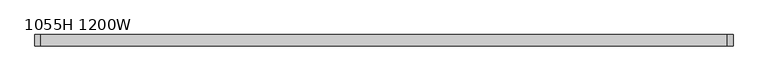
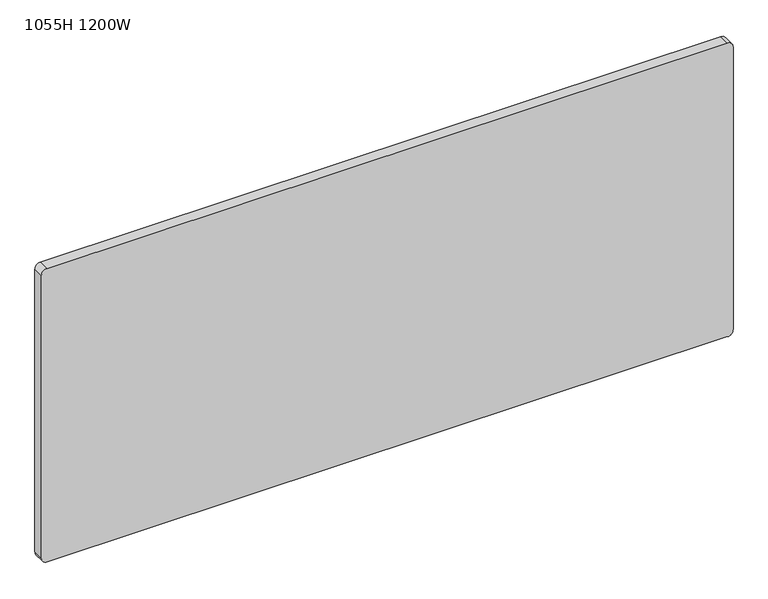
"""IFC4 building model written with IfcOpenShell, lengths in millimetres: furniture geometry, 1055H 1200W."""

from ifc_helpers import new_model, si_unit, point, frame, frame_2d, origin, place, context, project, spatial, polyline, circle_curve, trimmed, segment, composite_curve, outline, extrude, source, transform, mapped, element, save


def furniture_1055h_1200w_f720a328(model_context):
    return source(origin(), model_context, "Body", "SweptSolid", [
        extrude(outline(composite_curve([segment(trimmed(circle_curve(frame_2d((540.0, 602.5)), 10.0), [point((530.0, 602.5))], [point((540.0, 612.5))], False, "CARTESIAN"), True, "CONTINUOUS"), segment(polyline([(540.0, 612.5), (1070.0, 612.5)]), True, "CONTINUOUS"), segment(trimmed(circle_curve(frame_2d((1070.0, 602.5)), 10.0), [point((1070.0, 612.5))], [point((1080.0, 602.5))], False, "CARTESIAN"), True, "CONTINUOUS"), segment(polyline([(1080.0, 602.5), (1080.0, -602.5)]), True, "CONTINUOUS"), segment(trimmed(circle_curve(frame_2d((1070.0, -602.5)), 10.0), [point((1080.0, -602.5))], [point((1070.0, -612.5))], False, "CARTESIAN"), True, "CONTINUOUS"), segment(polyline([(1070.0, -612.5), (540.0, -612.5)]), True, "CONTINUOUS"), segment(trimmed(circle_curve(frame_2d((540.0, -602.5)), 10.0), [point((540.0, -612.5))], [point((530.0, -602.5))], False, "CARTESIAN"), True, "CONTINUOUS"), segment(polyline([(530.0, -602.5), (530.0, 602.5)]), True, "CONTINUOUS")], self_intersect=False)), frame((0.0, -10.0, 0.0), z_axis=(0.0, 1.0, 0.0), x_axis=(0.0, 0.0, 1.0)), (0.0, 0.0, 1.0), 20.0),
    ])


if __name__ == "__main__":
    model = new_model("IFC4")
    model_context = context("Model", 3, world=origin())
    ifc_project = project(units=[si_unit("LENGTHUNIT", "METRE", prefix="MILLI")], contexts=[model_context])
    site = spatial("IfcSite", under=ifc_project)
    building = spatial("IfcBuilding", under=site)
    placement = place(None, origin())
    furniture_1055h_1200w_shape = furniture_1055h_1200w_f720a328(model_context)
    element("IfcFurniture", 1, ObjectType="1055H 1200W", at=placement, inside=building, context=model_context, shape_type="MappedRepresentation", body=[
        mapped(furniture_1055h_1200w_shape, transform((0.0, 0.0, 0.0), x_axis=(1.0, 0.0, 0.0), y_axis=(0.0, 1.0, 0.0), z_axis=(0.0, 0.0, 1.0))),
    ])
    save(model, "model.ifc")
